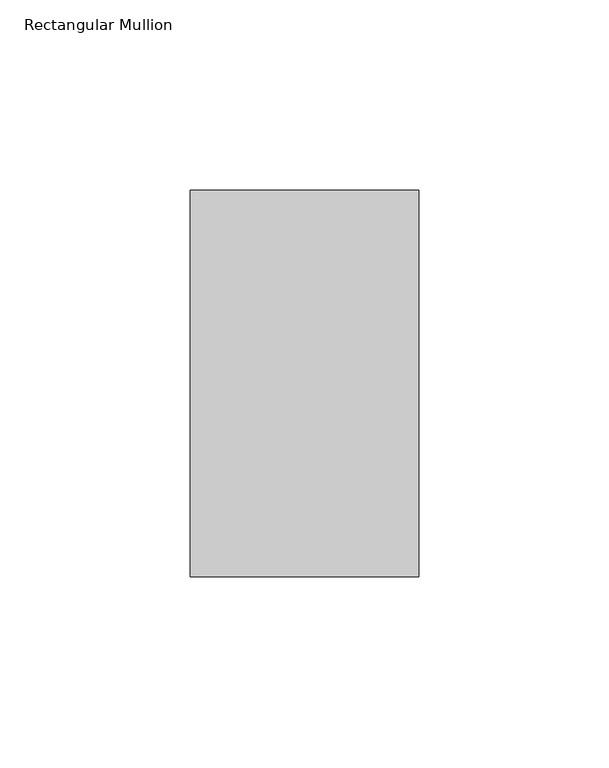
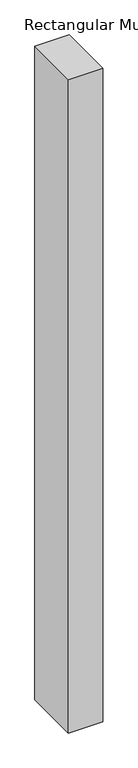
"""IFC4 building model written with IfcOpenShell, lengths in millimetres: member geometry, Rectangular Mullion."""

from ifc_helpers import new_model, si_unit, frame, origin, place, context, project, spatial, polyline, outline, extrude, source, transform, mapped, element, save


def rectangular_mullion_26045813(model_context):
    return source(origin(), model_context, "Body", "SweptSolid", [
        extrude(outline(polyline([(30.0, 50.8), (30.0, -50.8), (-30.0, -50.8), (-30.0, 50.8), (30.0, 50.8)])), frame((0.0, 0.0, -1210.0), z_axis=(0.0, 0.0, 1.0), x_axis=(1.0, 0.0, 0.0)), (0.0, 0.0, 1.0), 1210.0),
    ])


if __name__ == "__main__":
    model = new_model("IFC4")
    model_context = context("Model", 3, world=origin())
    ifc_project = project(units=[si_unit("LENGTHUNIT", "METRE", prefix="MILLI")], contexts=[model_context])
    site = spatial("IfcSite", under=ifc_project)
    building = spatial("IfcBuilding", under=site)
    placement = place(None, origin())
    rectangular_mullion_shape = rectangular_mullion_26045813(model_context)
    element("IfcMember", 1, ObjectType="Rectangular Mullion", at=placement, inside=building, context=model_context, shape_type="MappedRepresentation", body=[
        mapped(rectangular_mullion_shape, transform((0.0, 0.0, 0.0), x_axis=(1.0, 0.0, 0.0), y_axis=(0.0, 1.0, 0.0), z_axis=(0.0, 0.0, 1.0))),
    ])
    save(model, "model.ifc")
